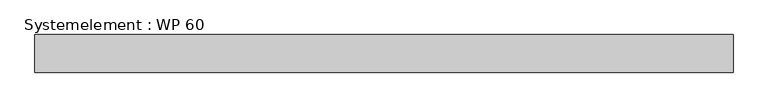
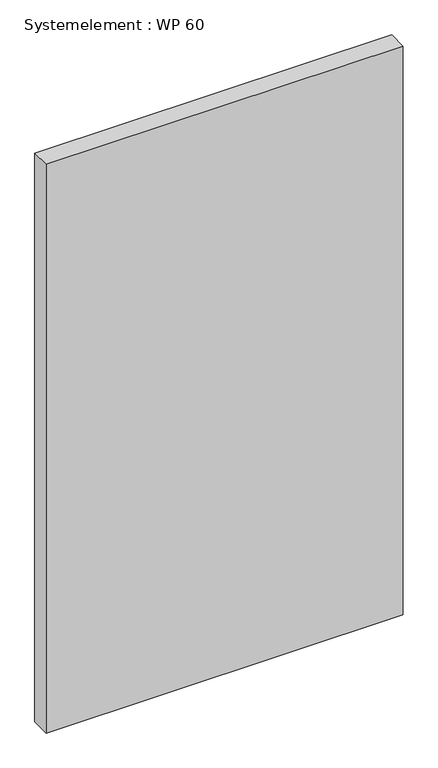
"""IFC4 building model written with IfcOpenShell, lengths in millimetres: plate geometry, Systemelement : WP 60."""

from ifc_helpers import new_model, si_unit, origin, origin_with_axes, place, context, project, spatial, polyline, outline, extrude, source, transform, mapped, element, save


def systemelement_wp_60_eb63f62e(model_context):
    return source(origin(), model_context, "Body", "SweptSolid", [
        extrude(outline(polyline([(550.0, -60.0), (-550.0, -60.0), (-550.0, 0.0), (550.0, 0.0), (550.0, -60.0)])), origin_with_axes(), (0.0, 0.0, 1.0), 1851.6147161),
    ])


if __name__ == "__main__":
    model = new_model("IFC4")
    model_context = context("Model", 3, world=origin())
    ifc_project = project(units=[si_unit("LENGTHUNIT", "METRE", prefix="MILLI")], contexts=[model_context])
    site = spatial("IfcSite", under=ifc_project)
    building = spatial("IfcBuilding", under=site)
    placement = place(None, origin())
    systemelement_wp_60_shape = systemelement_wp_60_eb63f62e(model_context)
    element("IfcPlate", 1, ObjectType="Systemelement : WP 60", at=placement, inside=building, context=model_context, shape_type="MappedRepresentation", body=[
        mapped(systemelement_wp_60_shape, transform((0.0, 0.0, 0.0), x_axis=(1.0, 0.0, 0.0), y_axis=(0.0, 1.0, 0.0), z_axis=(0.0, 0.0, 1.0))),
    ])
    save(model, "model.ifc")
